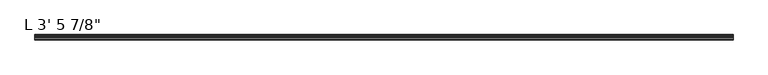
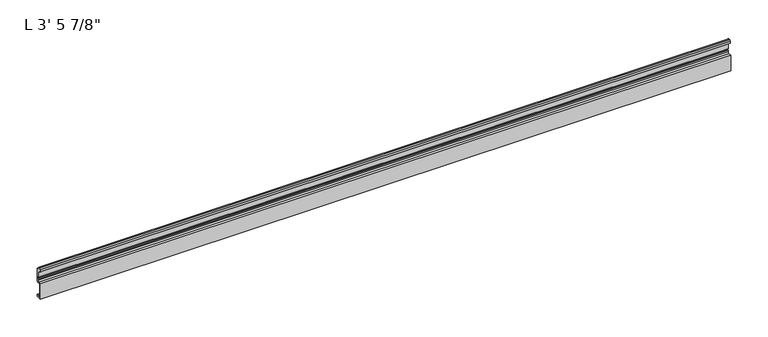
"""IFC4 building model written with IfcOpenShell, lengths in millimetres: proxy geometry."""

from ifc_helpers import new_model, si_unit, point, frame, frame_2d, origin, place, context, project, spatial, polyline, circle_curve, trimmed, segment, composite_curve, outline, extrude, source, transform, mapped, element, save


def proxy_cffcef3d(model_context):
    return source(origin(), model_context, "Body", "SweptSolid", [
        extrude(outline(composite_curve([segment(polyline([(19.05, 16.8792515), (11.1125, 16.8792515), (11.1125, 42.2833359), (15.875, 42.2833359)]), True, "CONTINUOUS"), segment(trimmed(circle_curve(frame_2d((15.875, 43.8708359)), 1.5875), [point((15.875, 42.2833359))], [point((17.4625, 43.8708359))], True, "CARTESIAN"), True, "CONTINUOUS"), segment(polyline([(17.4625, 43.8708359), (17.4625, 46.2494644), (17.9716639, 47.166884), (17.9716639, 48.5070448), (17.4625, 49.4244644), (17.4625, 60.6120764)]), True, "CONTINUOUS"), segment(trimmed(circle_curve(frame_2d((16.9545, 60.6120764)), 0.508), [point((17.4625, 60.6120764))], [point((16.9376166, 61.1197958))], True, "CARTESIAN"), True, "CONTINUOUS"), segment(trimmed(circle_curve(frame_2d((16.9169378, 60.3580764)), 0.762), [point((16.9376166, 61.1197958))], [point((16.1779173, 60.1723546))], True, "CARTESIAN"), True, "CONTINUOUS"), segment(trimmed(circle_curve(frame_2d((15.6245238, 60.0332823)), 0.5706009), [point((16.1779173, 60.1723546))], [point((15.4364113, 59.4945809))], False, "CARTESIAN"), True, "CONTINUOUS"), segment(polyline([(15.4364113, 59.4945809), (13.6400687, 60.05524)]), True, "CONTINUOUS"), segment(trimmed(circle_curve(frame_2d((14.5481808, 62.9648167)), 3.048), [point((13.6400687, 60.05524))], [point((11.9462301, 64.5523167))], False, "CARTESIAN"), True, "CONTINUOUS"), segment(trimmed(circle_curve(frame_2d((14.5481808, 62.9648167)), 3.048), [point((11.9462301, 64.5523167))], [point((13.6400687, 65.8743933))], False, "CARTESIAN"), True, "CONTINUOUS"), segment(polyline([(13.6400687, 65.8743933), (15.4750158, 66.4471012)]), True, "CONTINUOUS"), segment(trimmed(circle_curve(frame_2d((15.6853088, 66.0271866)), 0.4696291), [point((15.4750158, 66.4471012))], [point((16.1549378, 66.0271866))], False, "CARTESIAN"), True, "CONTINUOUS"), segment(polyline([(16.1549378, 66.0271866), (16.1549378, 64.4855764)]), True, "CONTINUOUS"), segment(trimmed(circle_curve(frame_2d((17.7424378, 64.4855764)), 1.5875), [point((16.1549378, 64.4855764))], [point((17.7424378, 62.8980764))], True, "CARTESIAN"), True, "CONTINUOUS"), segment(polyline([(17.7424378, 62.8980764), (19.05, 62.8980764), (19.05, 42.2605764)]), True, "CONTINUOUS"), segment(trimmed(circle_curve(frame_2d((17.4625, 42.2605764)), 1.5875), [point((19.05, 42.2605764))], [point((17.4625, 40.6730764))], False, "CARTESIAN"), True, "CONTINUOUS"), segment(polyline([(17.4625, 40.6730764), (12.7, 40.6730764), (12.7, 18.4667515), (17.4625, 18.4667515), (17.4625, 20.0542515), (19.05, 20.0542515), (19.05, 16.8792515)]), True, "CONTINUOUS")], self_intersect=False)), frame((-758.825, 0.0, 0.0), z_axis=(1.0, 0.0, 0.0), x_axis=(0.0, 1.0, 0.0)), (0.0, 0.0, 1.0), 1063.625),
    ])


if __name__ == "__main__":
    model = new_model("IFC4")
    model_context = context("Model", 3, world=origin())
    ifc_project = project(units=[si_unit("LENGTHUNIT", "METRE", prefix="MILLI")], contexts=[model_context])
    site = spatial("IfcSite", under=ifc_project)
    building = spatial("IfcBuilding", under=site)
    placement = place(None, origin())
    proxy_shape = proxy_cffcef3d(model_context)
    element("IfcBuildingElementProxy", 1, Name="L 3' 5 7/8\"", ObjectType="L 3' 5 7/8\"", at=placement, inside=building, context=model_context, shape_type="MappedRepresentation", body=[
        mapped(proxy_shape, transform((0.0, 0.0, 0.0), x_axis=(1.0, 0.0, 0.0), y_axis=(0.0, 1.0, 0.0), z_axis=(0.0, 0.0, 1.0))),
    ])
    save(model, "model.ifc")
